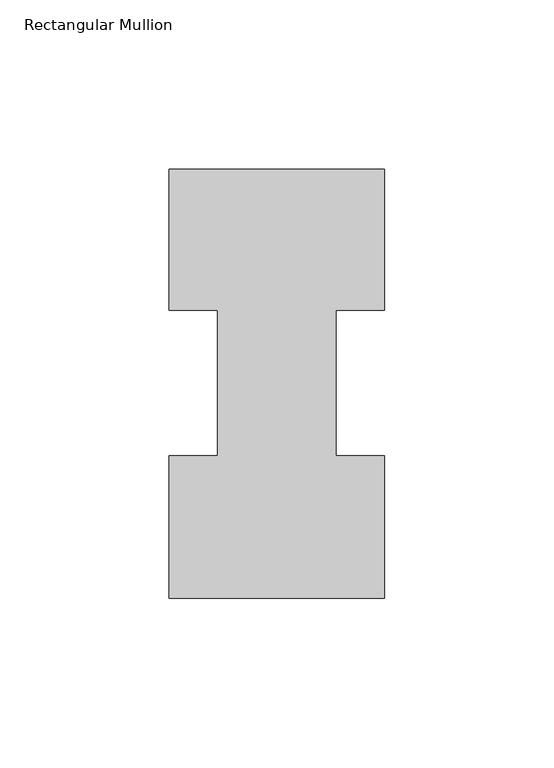
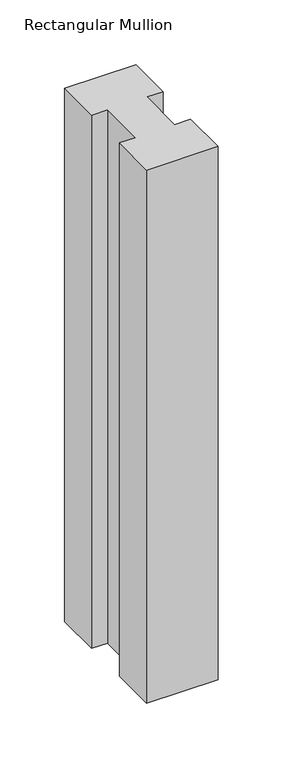
"""IFC4 building model written with IfcOpenShell, lengths in millimetres: member geometry, Rectangular Mullion."""

from ifc_helpers import new_model, si_unit, frame, origin, place, context, project, spatial, polyline, outline, extrude, source, transform, mapped, element, save


def rectangular_mullion_1a027b39(model_context):
    return source(origin(), model_context, "Body", "SweptSolid", [
        extrude(outline(polyline([(0.0, 126.7348875), (0.0, 85.1296875), (-14.2748, 85.1296875), (-14.2748, 42.2798875), (0.0, 42.2798875), (0.0, 0.2428875), (-63.5, 0.2428875), (-63.5, 42.2798875), (-49.2125, 42.2798875), (-49.2125, 85.1296875), (-63.5, 85.1296875), (-63.5, 126.7348875), (0.0, 126.7348875)])), frame((0.0, 0.0, -501.65), z_axis=(0.0, 0.0, 1.0), x_axis=(1.0, 0.0, 0.0)), (0.0, 0.0, 1.0), 501.65),
    ])


if __name__ == "__main__":
    model = new_model("IFC4")
    model_context = context("Model", 3, world=origin())
    ifc_project = project(units=[si_unit("LENGTHUNIT", "METRE", prefix="MILLI")], contexts=[model_context])
    site = spatial("IfcSite", under=ifc_project)
    building = spatial("IfcBuilding", under=site)
    placement = place(None, origin())
    rectangular_mullion_shape = rectangular_mullion_1a027b39(model_context)
    element("IfcMember", 1, ObjectType="Rectangular Mullion", at=placement, inside=building, context=model_context, shape_type="MappedRepresentation", body=[
        mapped(rectangular_mullion_shape, transform((0.0, 0.0, 0.0), x_axis=(1.0, 0.0, 0.0), y_axis=(0.0, 1.0, 0.0), z_axis=(0.0, 0.0, 1.0))),
    ])
    save(model, "model.ifc")
